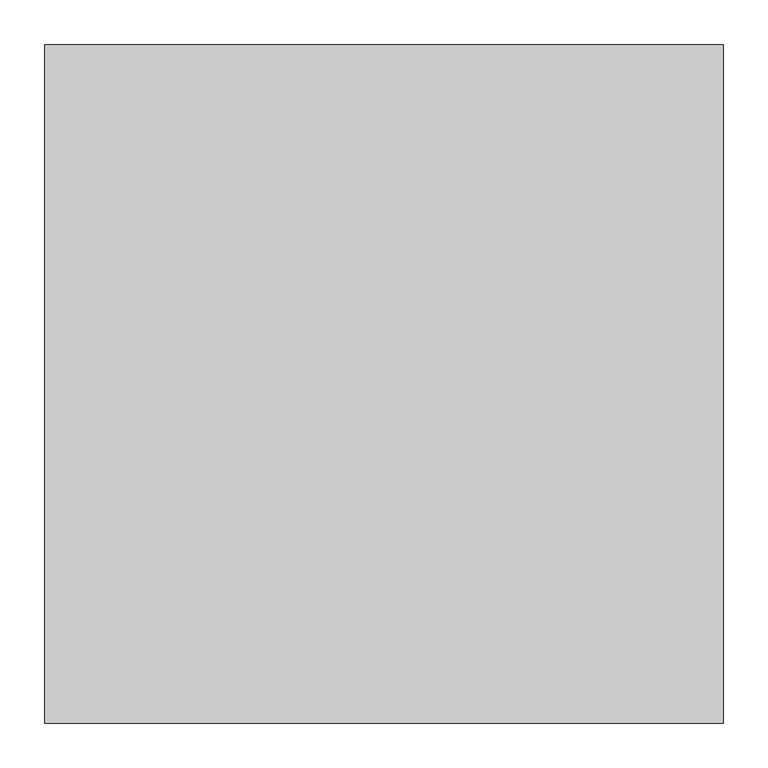
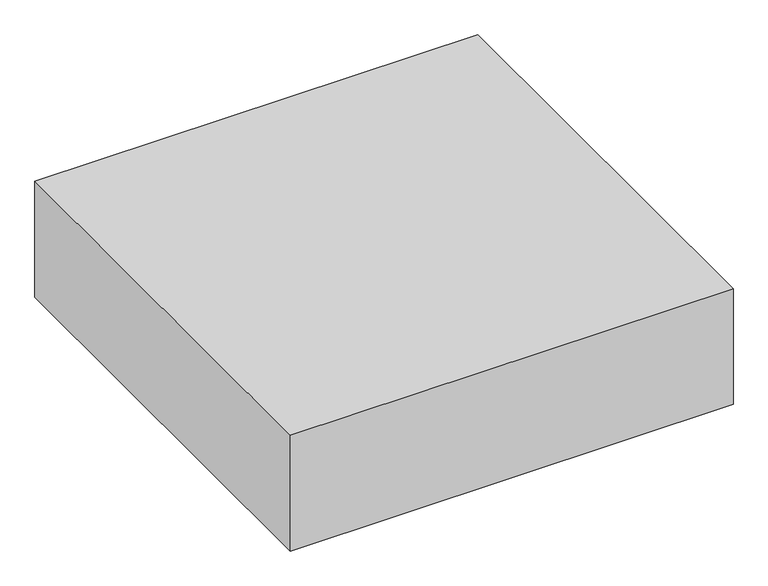
"""IFC4 building model written with IfcOpenShell, lengths in millimetres: proxy geometry."""

from ifc_helpers import new_model, si_unit, origin, origin_with_axes, place, context, project, spatial, polyline, outline, extrude, source, transform, mapped, element, save


def generic_models_3612bb3a(model_context):
    return source(origin(), model_context, "Body", "SweptSolid", [
        extrude(outline(polyline([(380.0, 380.0), (380.0, -380.0), (-380.0, -380.0), (-380.0, 380.0), (380.0, 380.0)])), origin_with_axes(), (0.0, 0.0, 1.0), 210.0),
    ])


if __name__ == "__main__":
    model = new_model("IFC4")
    model_context = context("Model", 3, world=origin())
    ifc_project = project(units=[si_unit("LENGTHUNIT", "METRE", prefix="MILLI")], contexts=[model_context])
    site = spatial("IfcSite", under=ifc_project)
    building = spatial("IfcBuilding", under=site)
    placement = place(None, origin())
    generic_models_shape = generic_models_3612bb3a(model_context)
    element("IfcBuildingElementProxy", 1, Name="Generic Models", at=placement, inside=building, context=model_context, shape_type="MappedRepresentation", body=[
        mapped(generic_models_shape, transform((0.0, 0.0, 0.0), x_axis=(1.0, 0.0, 0.0), y_axis=(0.0, 1.0, 0.0), z_axis=(0.0, 0.0, 1.0))),
    ])
    save(model, "model.ifc")
